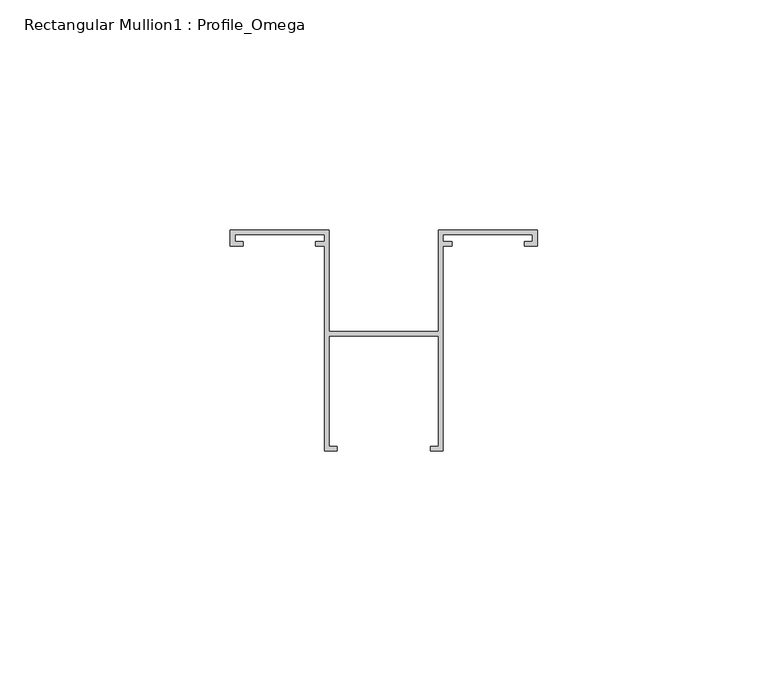
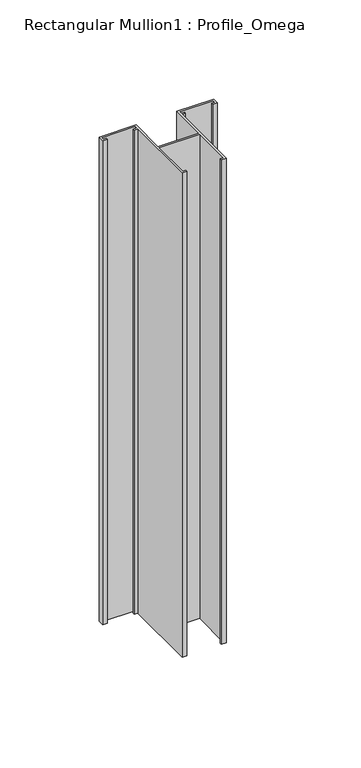
"""IFC4 building model written with IfcOpenShell, lengths in millimetres: member geometry, Rectangular Mullion1 : Profile_Omega."""

from ifc_helpers import new_model, si_unit, frame, origin, place, context, project, spatial, polyline, outline, extrude, source, transform, mapped, element, save


def rectangular_mullion1_profile_omega_b3a02dd7(model_context):
    return source(origin(), model_context, "Body", "SweptSolid", [
        extrude(outline(polyline([(11.85, 21.5), (11.85, 43.5), (33.35, 43.5), (33.35, 40.0), (30.6, 40.0), (30.6, 41.0), (32.3390394, 41.0), (32.3390394, 42.5), (12.85, 42.5), (12.85, 41.0), (14.85, 41.0), (14.85, 40.0), (12.85, 40.0), (12.85, -4.5), (10.1, -4.5), (10.1, -3.5), (11.85, -3.5), (11.85, 20.5), (-11.85, 20.5), (-11.85, -3.5), (-10.1, -3.5), (-10.1, -4.5), (-12.85, -4.5), (-12.85, 40.0), (-14.85, 40.0), (-14.85, 41.0), (-12.85, 41.0), (-12.85, 42.5), (-32.3390394, 42.5), (-32.3390394, 41.0), (-30.6, 41.0), (-30.6, 40.0), (-33.35, 40.0), (-33.35, 43.5), (-11.85, 43.5), (-11.85, 21.5), (11.85, 21.5)])), frame((0.0, 0.0, -298.0), z_axis=(0.0, 0.0, 1.0), x_axis=(1.0, 0.0, 0.0)), (0.0, 0.0, 1.0), 298.0),
    ])


if __name__ == "__main__":
    model = new_model("IFC4")
    model_context = context("Model", 3, world=origin())
    ifc_project = project(units=[si_unit("LENGTHUNIT", "METRE", prefix="MILLI")], contexts=[model_context])
    site = spatial("IfcSite", under=ifc_project)
    building = spatial("IfcBuilding", under=site)
    placement = place(None, origin())
    rectangular_mullion1_profile_omega_shape = rectangular_mullion1_profile_omega_b3a02dd7(model_context)
    element("IfcMember", 1, ObjectType="Rectangular Mullion1 : Profile_Omega", at=placement, inside=building, context=model_context, shape_type="MappedRepresentation", body=[
        mapped(rectangular_mullion1_profile_omega_shape, transform((0.0, 0.0, 0.0), x_axis=(1.0, 0.0, 0.0), y_axis=(0.0, 1.0, 0.0), z_axis=(0.0, 0.0, 1.0))),
    ])
    save(model, "model.ifc")
